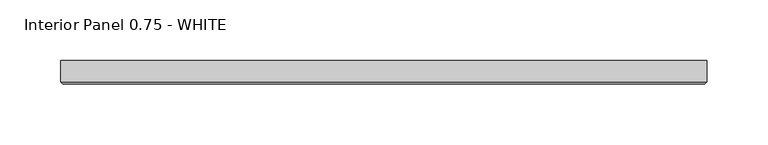
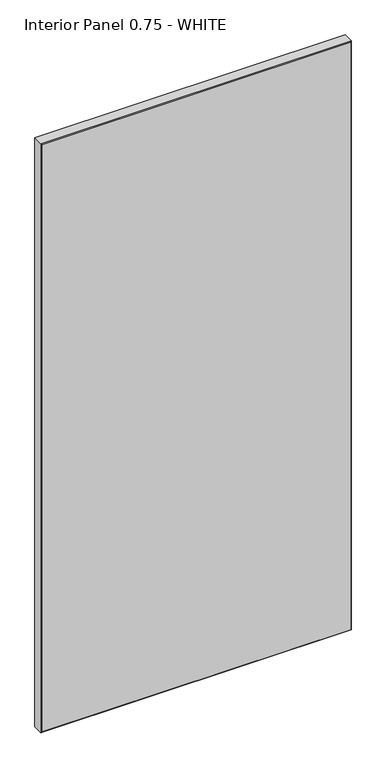
"""IFC4 building model written with IfcOpenShell, lengths in millimetres: proxy geometry, Interior Panel 0.75 - WHITE."""

from ifc_helpers import new_model, si_unit, origin, place, context, project, spatial, faceted_brep, source, transform, mapped, element, save


def interior_panel_0_75_white_cd74ab5a(model_context):
    return source(origin(), model_context, "Body", "Brep", [
        faceted_brep([(457.2, 3.175, 1063.625), (-73.025, 3.175, 1063.625), (-73.025, -14.2875, 1063.625), (457.2, -14.2875, 1063.625), (457.2, 3.175, 0.0), (457.2, -14.2875, 0.0), (-73.025, -14.2875, 0.0), (-73.025, 3.175, 0.0), (-71.4375, -15.875, 1062.0375), (-71.4375, -15.875, 1.5875), (455.6125, -15.875, 1.5875), (455.6125, -15.875, 1062.0375)], [[[0, 1, 2, 3]], [[4, 5, 6, 7]], [[1, 0, 4, 7]], [[2, 1, 7, 6]], [[8, 9, 10, 11]], [[0, 3, 5, 4]], [[2, 6, 9, 8]], [[5, 3, 11, 10]], [[3, 2, 8, 11]], [[6, 5, 10, 9]]]),
    ])


if __name__ == "__main__":
    model = new_model("IFC4")
    model_context = context("Model", 3, world=origin())
    ifc_project = project(units=[si_unit("LENGTHUNIT", "METRE", prefix="MILLI")], contexts=[model_context])
    site = spatial("IfcSite", under=ifc_project)
    building = spatial("IfcBuilding", under=site)
    placement = place(None, origin())
    interior_panel_0_75_white_shape = interior_panel_0_75_white_cd74ab5a(model_context)
    element("IfcBuildingElementProxy", 1, Name="Interior Panel 0.75 - WHITE", ObjectType="Interior Panel 0.75 - WHITE", at=placement, inside=building, context=model_context, shape_type="MappedRepresentation", body=[
        mapped(interior_panel_0_75_white_shape, transform((0.0, 0.0, 0.0), x_axis=(1.0, 0.0, 0.0), y_axis=(0.0, 1.0, 0.0), z_axis=(0.0, 0.0, 1.0))),
    ])
    save(model, "model.ifc")
